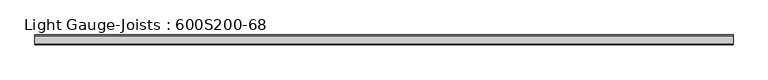
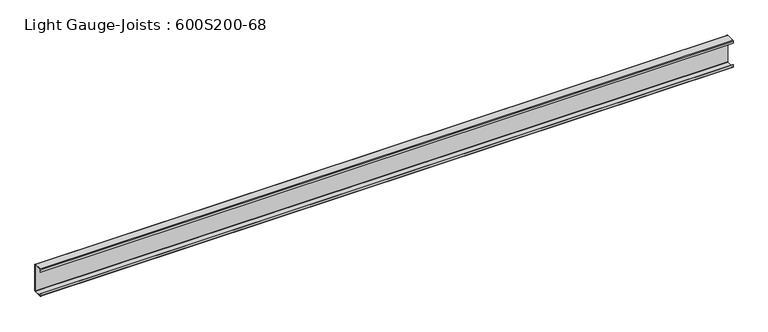
"""IFC4 building model written with IfcOpenShell, lengths in millimetres: beam geometry, Light Gauge-Joists : 600S200-68."""

from ifc_helpers import new_model, si_unit, point, frame, frame_2d, origin, place, context, project, spatial, polyline, circle_curve, trimmed, segment, composite_curve, outline, extrude, source, transform, mapped, element, save


def light_gauge_joists_600s200_68_2ad16d61(model_context):
    return source(origin(), model_context, "Body", "SweptSolid", [
        extrude(outline(composite_curve([segment(trimmed(circle_curve(frame_2d((-3.3887553, -72.8112447)), 3.3887553), [point((0.0, -72.8112447))], [point((-3.3887553, -76.2))], False, "CARTESIAN"), True, "CONTINUOUS"), segment(polyline([(-3.3887553, -76.2), (-47.4112447, -76.2)]), True, "CONTINUOUS"), segment(trimmed(circle_curve(frame_2d((-47.4112447, -72.8112447)), 3.3887553), [point((-47.4112447, -76.2))], [point((-50.8, -72.8112447))], False, "CARTESIAN"), True, "CONTINUOUS"), segment(polyline([(-50.8, -72.8112447), (-50.8, -60.325), (-48.9818947, -60.325), (-48.9818947, -72.8112447)]), True, "CONTINUOUS"), segment(trimmed(circle_curve(frame_2d((-47.4112447, -72.8112447)), 1.5706501), [point((-48.9818947, -72.8112447))], [point((-47.4112447, -74.3818947))], True, "CARTESIAN"), True, "CONTINUOUS"), segment(polyline([(-47.4112447, -74.3818947), (-3.3887553, -74.3818947)]), True, "CONTINUOUS"), segment(trimmed(circle_curve(frame_2d((-3.3887553, -72.8112447)), 1.5706501), [point((-3.3887553, -74.3818947))], [point((-1.8181053, -72.8112447))], True, "CARTESIAN"), True, "CONTINUOUS"), segment(polyline([(-1.8181053, -72.8112447), (-1.8181053, 72.8112447)]), True, "CONTINUOUS"), segment(trimmed(circle_curve(frame_2d((-3.3887553, 72.8112447)), 1.5706501), [point((-1.8181053, 72.8112447))], [point((-3.3887553, 74.3818947))], True, "CARTESIAN"), True, "CONTINUOUS"), segment(polyline([(-3.3887553, 74.3818947), (-47.4112447, 74.3818947)]), True, "CONTINUOUS"), segment(trimmed(circle_curve(frame_2d((-47.4112447, 72.8112447)), 1.5706501), [point((-47.4112447, 74.3818947))], [point((-48.9818947, 72.8112447))], True, "CARTESIAN"), True, "CONTINUOUS"), segment(polyline([(-48.9818947, 72.8112447), (-48.9818947, 60.325), (-50.8, 60.325), (-50.8, 72.8112447)]), True, "CONTINUOUS"), segment(trimmed(circle_curve(frame_2d((-47.4112447, 72.8112447)), 3.3887553), [point((-50.8, 72.8112447))], [point((-47.4112447, 76.2))], False, "CARTESIAN"), True, "CONTINUOUS"), segment(polyline([(-47.4112447, 76.2), (-3.3887553, 76.2)]), True, "CONTINUOUS"), segment(trimmed(circle_curve(frame_2d((-3.3887553, 72.8112447)), 3.3887553), [point((-3.3887553, 76.2))], [point((0.0, 72.8112447))], False, "CARTESIAN"), True, "CONTINUOUS"), segment(polyline([(0.0, 72.8112447), (0.0, -72.8112447)]), True, "CONTINUOUS")], self_intersect=False)), frame((-1828.8, 0.0, 0.0), z_axis=(1.0, 0.0, 0.0), x_axis=(0.0, 1.0, 0.0)), (0.0, 0.0, 1.0), 3657.6),
    ])


if __name__ == "__main__":
    model = new_model("IFC4")
    model_context = context("Model", 3, world=origin())
    ifc_project = project(units=[si_unit("LENGTHUNIT", "METRE", prefix="MILLI")], contexts=[model_context])
    site = spatial("IfcSite", under=ifc_project)
    building = spatial("IfcBuilding", under=site)
    placement = place(None, origin())
    light_gauge_joists_600s200_68_shape = light_gauge_joists_600s200_68_2ad16d61(model_context)
    element("IfcBeam", 1, ObjectType="Light Gauge-Joists : 600S200-68", at=placement, inside=building, context=model_context, shape_type="MappedRepresentation", body=[
        mapped(light_gauge_joists_600s200_68_shape, transform((0.0, 0.0, 0.0), x_axis=(1.0, 0.0, 0.0), y_axis=(0.0, 1.0, 0.0), z_axis=(0.0, 0.0, 1.0))),
    ])
    save(model, "model.ifc")
